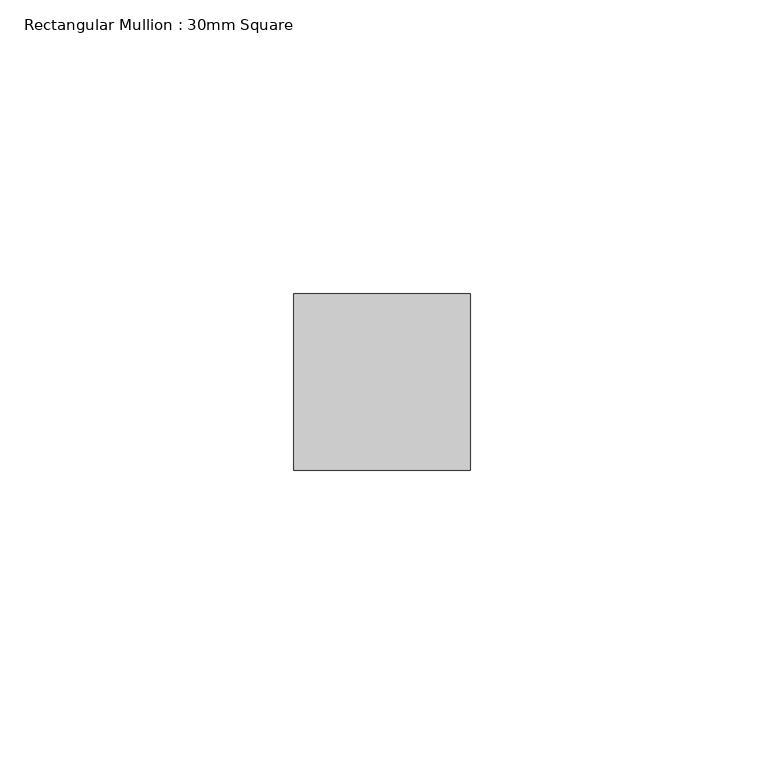
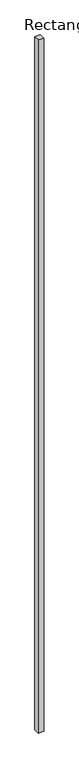
"""IFC4 building model written with IfcOpenShell, lengths in millimetres: member geometry, Rectangular Mullion : 30mm Square."""

import ifcopenshell
import ifcopenshell.guid

model = None  # the IFC model being written
_history = None  # IfcOwnerHistory: only IFC2X3 demands one
_inside = {}  # id of a spatial element -> (the spatial element, [elements in it])
_under = {}  # id of a project, library or spatial element -> (it, [spatial elements below it])
_declared = {}  # id of a project -> (the project, [libraries it declares])
_typed = {}  # id of a type object -> (the type object, [elements of that type])
_made_of = {}  # id of a material, layer set ... -> (it, [elements and type objects made of it])


def new_model(schema):
    """Start an empty IFC model of exactly this schema.

    Asked for "IFC4X3", IfcOpenShell would pick the latest addendum, in which some entities
    have other attributes; the version numbers below select the first issue.
    IFC2X3 requires an IfcOwnerHistory on every rooted entity: one is made here for all.
    """
    global model, _history
    if schema == "IFC4X3":
        model = ifcopenshell.file(schema_version=(4, 3, 0, 0))
    else:
        model = ifcopenshell.file(schema=schema)
    _inside.clear()
    _under.clear()
    _declared.clear()
    _typed.clear()
    _made_of.clear()
    _history = None
    if model.schema == "IFC2X3":
        org = make("IfcOrganization", Name="unknown")
        user = make(
            "IfcPersonAndOrganization",
            ThePerson=make("IfcPerson", FamilyName="unknown"),
            TheOrganization=org,
        )
        app = make(
            "IfcApplication",
            ApplicationDeveloper=org,
            Version="unknown",
            ApplicationFullName="unknown",
            ApplicationIdentifier="unknown",
        )
        _history = make(
            "IfcOwnerHistory",
            OwningUser=user,
            OwningApplication=app,
            ChangeAction="ADDED",
            CreationDate=0,
        )
    return model


def make(cls, **values):
    """One entity of the class cls with the attributes given. An attribute that is None is left unset."""
    return model.create_entity(
        cls, **{name: value for name, value in values.items() if value is not None}
    )


def rooted(cls, **values):
    """An entity with a GlobalId (a new one), such as an element, a storey or a relation."""
    return make(cls, GlobalId=ifcopenshell.guid.new(), OwnerHistory=_history, **values)


def si_unit(unit_type, name, prefix=None):
    """IfcSIUnit, for example si_unit("LENGTHUNIT", "METRE", prefix="MILLI")."""
    return make("IfcSIUnit", UnitType=unit_type, Prefix=prefix, Name=name)


def assignment(units):
    """IfcUnitAssignment: the units of a project."""
    return None if units is None else make("IfcUnitAssignment", Units=units)


def point(xyz):
    """IfcCartesianPoint."""
    return None if xyz is None else make("IfcCartesianPoint", Coordinates=xyz)


def direction(xyz):
    """IfcDirection."""
    return None if xyz is None else make("IfcDirection", DirectionRatios=xyz)


def frame(location, z_axis=None, x_axis=None):
    """IfcAxis2Placement3D, a coordinate frame: its origin and axes. An axis left out is left unset."""
    return make(
        "IfcAxis2Placement3D",
        Location=point(location),
        Axis=direction(z_axis),
        RefDirection=direction(x_axis),
    )


def origin():
    """The frame at (0, 0, 0) with its axes left unset."""
    return frame((0.0, 0.0, 0.0))


def place(relative_to, where):
    """IfcLocalPlacement: puts the frame where relative to a parent placement (None: the world)."""
    return make(
        "IfcLocalPlacement", PlacementRelTo=relative_to, RelativePlacement=where
    )


def context(
    kind, dimensions, precision=None, world=None, true_north=None, identifier=None
):
    """IfcGeometricRepresentationContext, for example the 3D "Model" context."""
    return make(
        "IfcGeometricRepresentationContext",
        ContextIdentifier=identifier,
        ContextType=kind,
        CoordinateSpaceDimension=dimensions,
        Precision=precision,
        WorldCoordinateSystem=world,
        TrueNorth=true_north,
    )


def project(units=None, contexts=None):
    """IfcProject with its units and contexts."""
    return rooted(
        "IfcProject",
        Name="project",
        RepresentationContexts=contexts,
        UnitsInContext=assignment(units),
    )


def spatial(cls, under=None, at=None, **own):
    """A site, building, storey or space (cls), placed at a placement, below another one or the project."""
    s = rooted(cls, ObjectPlacement=at, **own)
    if under is not None:
        _under.setdefault(under.id(), (under, []))[1].append(s)
    return s


def polyline(points):
    """IfcPolyline through the points."""
    return make("IfcPolyline", Points=[point(p) for p in points])


def outline(outer, holes=None, kind="AREA"):
    """IfcArbitraryClosedProfileDef: a profile drawn as a closed curve; with holes, ...WithVoids."""
    if holes is None:
        return make("IfcArbitraryClosedProfileDef", ProfileType=kind, OuterCurve=outer)
    return make(
        "IfcArbitraryProfileDefWithVoids",
        ProfileType=kind,
        OuterCurve=outer,
        InnerCurves=holes,
    )


def extrude(swept, where, along, depth):
    """IfcExtrudedAreaSolid: the profile swept, set in the frame where, extruded along a direction by depth."""
    return make(
        "IfcExtrudedAreaSolid",
        SweptArea=swept,
        Position=where,
        ExtrudedDirection=direction(along),
        Depth=depth,
    )


def shape(context_of_items, identifier, shape_type, items):
    """IfcShapeRepresentation: the items that make up one representation, for example the "Body"."""
    return make(
        "IfcShapeRepresentation",
        ContextOfItems=context_of_items,
        RepresentationIdentifier=identifier,
        RepresentationType=shape_type,
        Items=items,
    )


def source(mapping_origin, context_of_items, identifier, shape_type, items):
    """IfcRepresentationMap: a shape defined once, which mapped items show again and again."""
    return make(
        "IfcRepresentationMap",
        MappingOrigin=mapping_origin,
        MappedRepresentation=shape(context_of_items, identifier, shape_type, items),
    )


def transform(
    local_origin,
    x_axis=None,
    y_axis=None,
    z_axis=None,
    scale=None,
    scale2=None,
    scale3=None,
    uniform=True,
):
    """IfcCartesianTransformationOperator3D, or its non-uniform kind. x_axis, y_axis, z_axis: its Axis1, 2, 3."""
    if uniform:
        return make(
            "IfcCartesianTransformationOperator3D",
            Axis1=direction(x_axis),
            Axis2=direction(y_axis),
            LocalOrigin=point(local_origin),
            Scale=scale,
            Axis3=direction(z_axis),
        )
    return make(
        "IfcCartesianTransformationOperator3DnonUniform",
        Axis1=direction(x_axis),
        Axis2=direction(y_axis),
        LocalOrigin=point(local_origin),
        Scale=scale,
        Axis3=direction(z_axis),
        Scale2=scale2,
        Scale3=scale3,
    )


def mapped(mapping_source, mapping_target):
    """IfcMappedItem: shows the shape of a source again, moved by a transform."""
    return make(
        "IfcMappedItem", MappingSource=mapping_source, MappingTarget=mapping_target
    )


def made_of(thing, what):
    """Note that an element or type object is made of a material, layer set ...; save() writes the relation."""
    if what is not None:
        _made_of.setdefault(what.id(), (what, []))[1].append(thing)
    return thing


def element(
    cls,
    number,
    at=None,
    inside=None,
    cuts=None,
    type_object=None,
    material=None,
    context=None,
    identifier="Body",
    shape_type=None,
    held_by="IfcProductDefinitionShape",
    body=None,
    shapes=None,
    **own,
):
    """One element of the class cls, such as IfcWall. Its Tag is "e" and its number.

    at: its placement. inside: the storey or other place that contains it. cuts: it is an
    opening in that element (IfcRelVoidsElement). A single representation is given by context,
    identifier, shape_type and body (its items); several are given by shapes. held_by: the class
    of the entity that holds the representations. save() writes the other relations.
    """
    e = rooted(cls, Tag="e%d" % number, ObjectPlacement=at, **own)
    if body is not None:
        shapes = [shape(context, identifier, shape_type, body)]
    if shapes is not None:
        e.Representation = make(held_by, Representations=shapes)
    if inside is not None:
        _inside.setdefault(inside.id(), (inside, []))[1].append(e)
    if cuts is not None:
        rooted(
            "IfcRelVoidsElement", RelatingBuildingElement=cuts, RelatedOpeningElement=e
        )
    if type_object is not None:
        _typed.setdefault(type_object.id(), (type_object, []))[1].append(e)
    return made_of(e, material)


def aggregate(whole, parts):
    """IfcRelAggregates: a whole, such as a stair, and the parts it consists of."""
    return rooted("IfcRelAggregates", RelatingObject=whole, RelatedObjects=parts)


def save(model, path):
    """Write the relations noted so far, then the file.

    IfcRelAggregates (storeys below a building ...), IfcRelContainedInSpatialStructure (elements
    in a storey), IfcRelDefinesByType, IfcRelAssociatesMaterial and IfcRelDeclares: one each for
    every whole, place, type object, material and project.
    """
    for whole, parts in _under.values():
        aggregate(whole, parts)
    for where, things in _inside.values():
        rooted(
            "IfcRelContainedInSpatialStructure",
            RelatedElements=things,
            RelatingStructure=where,
        )
    for kind, things in _typed.values():
        rooted("IfcRelDefinesByType", RelatedObjects=things, RelatingType=kind)
    for what, things in _made_of.values():
        rooted("IfcRelAssociatesMaterial", RelatedObjects=things, RelatingMaterial=what)
    for by, libraries in _declared.values():
        rooted("IfcRelDeclares", RelatingContext=by, RelatedDefinitions=libraries)
    model.write(path)


def rectangular_mullion_30mm_square_a85e5849(model_context):
    return source(origin(), model_context, "Body", "SweptSolid", [
        extrude(outline(polyline([(15.0, 15.0), (15.0, -15.0), (-15.0, -15.0), (-15.0, 15.0), (15.0, 15.0)])), frame((0.0, 0.0, -3985.0), z_axis=(0.0, 0.0, 1.0), x_axis=(1.0, 0.0, 0.0)), (0.0, 0.0, 1.0), 3985.0),
    ])


if __name__ == "__main__":
    model = new_model("IFC4")
    model_context = context("Model", 3, world=origin())
    ifc_project = project(units=[si_unit("LENGTHUNIT", "METRE", prefix="MILLI")], contexts=[model_context])
    site = spatial("IfcSite", under=ifc_project)
    building = spatial("IfcBuilding", under=site)
    placement = place(None, origin())
    rectangular_mullion_30mm_square_shape = rectangular_mullion_30mm_square_a85e5849(model_context)
    element("IfcMember", 1, ObjectType="Rectangular Mullion : 30mm Square", at=placement, inside=building, context=model_context, shape_type="MappedRepresentation", body=[
        mapped(rectangular_mullion_30mm_square_shape, transform((0.0, 0.0, 0.0), x_axis=(1.0, 0.0, 0.0), y_axis=(0.0, 1.0, 0.0), z_axis=(0.0, 0.0, 1.0))),
    ])
    save(model, "model.ifc")
